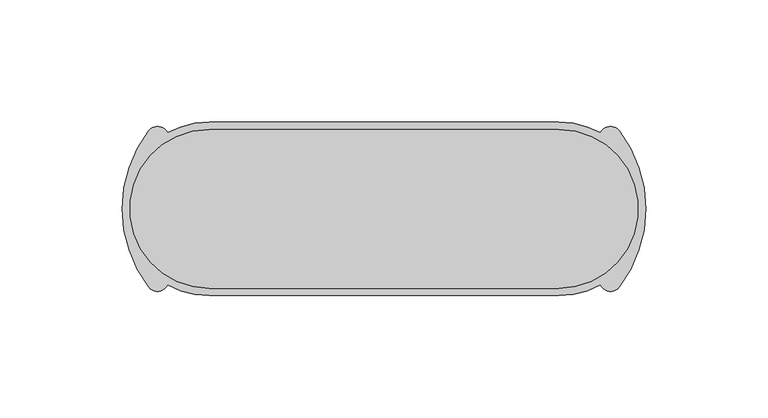
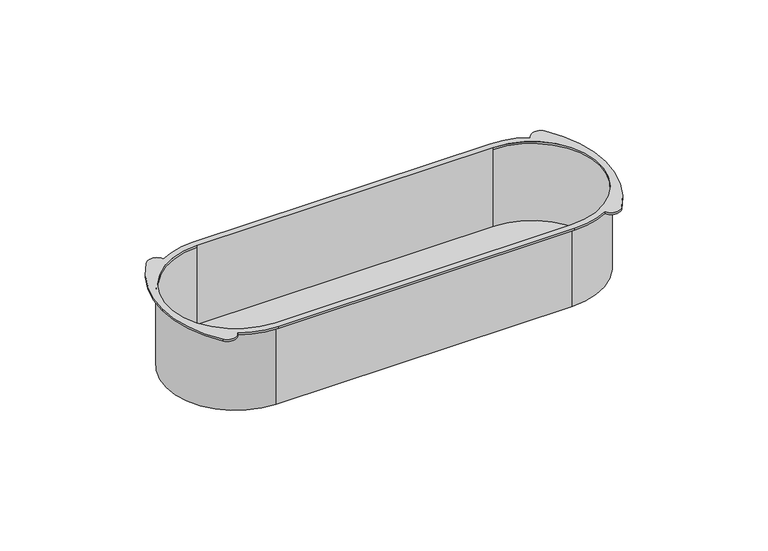
"""IFC4 building model written with IfcOpenShell, lengths in millimetres: proxy geometry."""

from ifc_helpers import new_model, si_unit, point, frame, frame_2d, origin, place, context, project, spatial, polyline, circle_curve, trimmed, segment, composite_curve, outline, extrude, source, transform, mapped, element, save
from ifc_brep_helpers import plane_surface, cylinder_surface, revolved_surface, advanced_brep


def electrical_fixtures_8e212fa5(model_context):
    return source(origin(), model_context, "Body", "SolidModel", [
        advanced_brep(
        [(71.5, -33.5, -40.0), (-71.5, -33.5, -40.0), (-71.5, 33.5, -40.0), (71.5, 33.5, -40.0), (71.5, -32.5, -40.0), (71.5, 32.5, -40.0), (-71.5, 32.5, -40.0), (-71.5, -32.5, -40.0), (71.5, -32.5, 0.0), (71.5, 32.5, 0.0), (71.5, 33.5, 0.0), (71.5, -33.5, 0.0), (71.5, 35.5, 1.0), (-71.5, 35.5, 1.0), (-88.507708, 31.1606782, 1.0), (-96.2231662, 31.9859514, 1.0), (-107.0, 0.0, 1.0), (-96.2231662, -31.9859514, 1.0), (-88.507708, -31.1606782, 1.0), (-71.5, -35.5, 1.0), (71.5, -35.5, 1.0), (88.507708, -31.1606782, 1.0), (96.2231662, -31.9859514, 1.0), (107.0, 0.0, 1.0), (96.2231662, 31.9859514, 1.0), (88.507708, 31.1606782, 1.0), (71.5, 32.5, 1.0), (71.5, -32.5, 1.0), (-71.5, -32.5, 1.0), (-71.5, 32.5, 1.0), (71.5, 35.5, 0.0), (88.507708, 31.1606782, 0.0), (96.2231662, 31.9859514, 0.0), (107.0, 0.0, 0.0), (96.2231662, -31.9859514, 0.0), (88.507708, -31.1606782, 0.0), (71.5, -35.5, 0.0), (-71.5, -35.5, 0.0), (-88.507708, -31.1606782, 0.0), (-96.2231662, -31.9859514, 0.0), (-107.0, 0.0, 0.0), (-96.2231662, 31.9859514, 0.0), (-88.507708, 31.1606782, 0.0), (-71.5, 35.5, 0.0), (-71.5, 33.5, 0.0), (-71.5, -33.5, 0.0), (-71.5, -32.5, 0.0), (-71.5, 32.5, 0.0)],
        [
            (0, 1),
            (1, 2, circle_curve(frame((-71.5, 0.0, -40.0), z_axis=(0.0, 0.0, -1.0), x_axis=(0.0, -1.0, 0.0)), 33.5)),
            (2, 3),
            (3, 0, circle_curve(frame((71.5, 0.0, -40.0), z_axis=(0.0, 0.0, -1.0), x_axis=(0.0, -1.0, 0.0)), 33.5)),
            (4, 5, circle_curve(frame((71.5, 0.0, -40.0), z_axis=(0.0, 0.0, 1.0), x_axis=(0.0, -1.0, 0.0)), 32.5)),
            (5, 6),
            (6, 7, circle_curve(frame((-71.5, 0.0, -40.0), z_axis=(0.0, 0.0, 1.0), x_axis=(0.0, -1.0, 0.0)), 32.5)),
            (7, 4),
            (4, 8),
            (8, 9, circle_curve(frame((71.5, 0.0, 0.0), z_axis=(0.0, 0.0, 1.0), x_axis=(0.0, -1.0, 0.0)), 32.5)),
            (9, 5),
            (3, 10),
            (10, 11, circle_curve(frame((71.5, 0.0, 0.0), z_axis=(0.0, 0.0, -1.0), x_axis=(0.0, -1.0, 0.0)), 33.5)),
            (11, 0),
            (12, 13),
            (13, 14, circle_curve(frame((-71.5, 0.0, 1.0), z_axis=(0.0, 0.0, 1.0), x_axis=(0.0, -1.0, 0.0)), 35.5)),
            (14, 15, circle_curve(frame((-92.614694, 29.2430182, 1.0), z_axis=(0.0, 0.0, 1.0), x_axis=(0.0, -1.0, 0.0)), 4.5326321)),
            (15, 16, circle_curve(frame((-54.143973, 0.0, 1.0), z_axis=(0.0, 0.0, 1.0), x_axis=(0.0, -1.0, 0.0)), 52.856027)),
            (16, 17, circle_curve(frame((-54.143973, 0.0, 1.0), z_axis=(0.0, 0.0, 1.0), x_axis=(0.0, 1.0, 0.0)), 52.856027)),
            (17, 18, circle_curve(frame((-92.614694, -29.2430182, 1.0), z_axis=(0.0, 0.0, 1.0), x_axis=(0.0, 1.0, 0.0)), 4.5326321)),
            (18, 19, circle_curve(frame((-71.5, 0.0, 1.0), z_axis=(0.0, 0.0, 1.0), x_axis=(0.0, -1.0, 0.0)), 35.5)),
            (19, 20),
            (20, 21, circle_curve(frame((71.5, 0.0, 1.0), z_axis=(0.0, 0.0, 1.0), x_axis=(0.0, -1.0, 0.0)), 35.5)),
            (21, 22, circle_curve(frame((92.614694, -29.2430182, 1.0), z_axis=(0.0, 0.0, 1.0), x_axis=(0.0, 1.0, 0.0)), 4.5326321)),
            (22, 23, circle_curve(frame((54.143973, 0.0, 1.0), z_axis=(0.0, 0.0, 1.0), x_axis=(0.0, 1.0, 0.0)), 52.856027)),
            (23, 24, circle_curve(frame((54.143973, 0.0, 1.0), z_axis=(0.0, 0.0, 1.0), x_axis=(0.0, -1.0, 0.0)), 52.856027)),
            (24, 25, circle_curve(frame((92.614694, 29.2430182, 1.0), z_axis=(0.0, 0.0, 1.0), x_axis=(0.0, -1.0, 0.0)), 4.5326321)),
            (25, 12, circle_curve(frame((71.5, 0.0, 1.0), z_axis=(0.0, 0.0, 1.0), x_axis=(0.0, -1.0, 0.0)), 35.5)),
            (26, 27, circle_curve(frame((71.5, 0.0, 1.0), z_axis=(0.0, 0.0, -1.0), x_axis=(0.0, -1.0, 0.0)), 32.5)),
            (27, 28),
            (28, 29, circle_curve(frame((-71.5, 0.0, 1.0), z_axis=(0.0, 0.0, -1.0), x_axis=(0.0, -1.0, 0.0)), 32.5)),
            (29, 26),
            (30, 31, circle_curve(frame((71.5, 0.0, 0.0), z_axis=(0.0, 0.0, -1.0), x_axis=(0.0, -1.0, 0.0)), 35.5)),
            (31, 32, circle_curve(frame((92.614694, 29.2430182, 0.0), z_axis=(0.0, 0.0, -1.0), x_axis=(0.0, -1.0, 0.0)), 4.5326321)),
            (32, 33, circle_curve(frame((54.143973, 0.0, 0.0), z_axis=(0.0, 0.0, -1.0), x_axis=(0.0, -1.0, 0.0)), 52.856027)),
            (33, 34, circle_curve(frame((54.143973, 0.0, 0.0), z_axis=(0.0, 0.0, -1.0), x_axis=(0.0, 1.0, 0.0)), 52.856027)),
            (34, 35, circle_curve(frame((92.614694, -29.2430182, 0.0), z_axis=(0.0, 0.0, -1.0), x_axis=(0.0, 1.0, 0.0)), 4.5326321)),
            (35, 36, circle_curve(frame((71.5, 0.0, 0.0), z_axis=(0.0, 0.0, -1.0), x_axis=(0.0, -1.0, 0.0)), 35.5)),
            (36, 37),
            (37, 38, circle_curve(frame((-71.5, 0.0, 0.0), z_axis=(0.0, 0.0, -1.0), x_axis=(0.0, -1.0, 0.0)), 35.5)),
            (38, 39, circle_curve(frame((-92.614694, -29.2430182, 0.0), z_axis=(0.0, 0.0, -1.0), x_axis=(0.0, 1.0, 0.0)), 4.5326321)),
            (39, 40, circle_curve(frame((-54.143973, 0.0, 0.0), z_axis=(0.0, 0.0, -1.0), x_axis=(0.0, 1.0, 0.0)), 52.856027)),
            (40, 41, circle_curve(frame((-54.143973, 0.0, 0.0), z_axis=(0.0, 0.0, -1.0), x_axis=(0.0, -1.0, 0.0)), 52.856027)),
            (41, 42, circle_curve(frame((-92.614694, 29.2430182, 0.0), z_axis=(0.0, 0.0, -1.0), x_axis=(0.0, -1.0, 0.0)), 4.5326321)),
            (42, 43, circle_curve(frame((-71.5, 0.0, 0.0), z_axis=(0.0, 0.0, -1.0), x_axis=(0.0, -1.0, 0.0)), 35.5)),
            (43, 30),
            (10, 44),
            (44, 45, circle_curve(frame((-71.5, 0.0, 0.0), z_axis=(0.0, 0.0, 1.0), x_axis=(0.0, -1.0, 0.0)), 33.5)),
            (45, 11),
            (20, 36),
            (35, 21),
            (25, 31),
            (30, 12),
            (34, 22),
            (33, 23),
            (32, 24),
            (43, 13),
            (42, 14),
            (41, 15),
            (40, 16),
            (39, 17),
            (38, 18),
            (37, 19),
            (26, 9),
            (8, 27),
            (28, 46),
            (46, 47, circle_curve(frame((-71.5, 0.0, 0.0), z_axis=(0.0, 0.0, -1.0), x_axis=(0.0, -1.0, 0.0)), 32.5)),
            (47, 29),
            (7, 46),
            (6, 47),
            (2, 44),
            (1, 45),
        ],
        [
            plane_surface(frame((-71.5, -32.5, -40.0), z_axis=(0.0, 0.0, -1.0), x_axis=(1.0, 0.0, 0.0))),
            revolved_surface(polyline([(71.5, -32.5, -40.0), (71.5, -32.5, 0.0)]), (71.5, 0.0, -40.0), (0.0, 0.0, -1.0)),
            cylinder_surface(frame((71.5, 0.0, 0.0), z_axis=(0.0, 0.0, 1.0), x_axis=(0.0, -1.0, 0.0)), 33.5),
            plane_surface(frame((-71.5, 35.5, 1.0), z_axis=(0.0, 0.0, 1.0), x_axis=(-1.0, 0.0, 0.0))),
            plane_surface(frame((-71.5, 35.5, 0.0), z_axis=(0.0, 0.0, -1.0), x_axis=(1.0, 0.0, 0.0))),
            cylinder_surface(frame((71.5, 0.0, 0.0), z_axis=(0.0, 0.0, 1.0), x_axis=(0.0, -1.0, 0.0)), 35.5),
            cylinder_surface(frame((92.614694, -29.2430182, 0.0), z_axis=(0.0, 0.0, 1.0), x_axis=(0.0, 1.0, 0.0)), 4.5326321),
            cylinder_surface(frame((54.143973, 0.0, 0.0), z_axis=(0.0, 0.0, 1.0), x_axis=(0.0, 1.0, 0.0)), 52.856027),
            cylinder_surface(frame((54.143973, 0.0, 0.0), z_axis=(0.0, 0.0, 1.0), x_axis=(0.0, -1.0, 0.0)), 52.856027),
            cylinder_surface(frame((92.614694, 29.2430182, 0.0), z_axis=(0.0, 0.0, 1.0), x_axis=(0.0, -1.0, 0.0)), 4.5326321),
            plane_surface(frame((71.5, 35.5, 1.0), z_axis=(0.0, 1.0, 0.0), x_axis=(0.0, 0.0, -1.0))),
            cylinder_surface(frame((-71.5, 0.0, 0.0), z_axis=(0.0, 0.0, 1.0), x_axis=(0.0, -1.0, 0.0)), 35.5),
            cylinder_surface(frame((-92.614694, 29.2430182, 0.0), z_axis=(0.0, 0.0, 1.0), x_axis=(0.0, -1.0, 0.0)), 4.5326321),
            cylinder_surface(frame((-54.143973, 0.0, 0.0), z_axis=(0.0, 0.0, 1.0), x_axis=(0.0, -1.0, 0.0)), 52.856027),
            cylinder_surface(frame((-54.143973, 0.0, 0.0), z_axis=(0.0, 0.0, 1.0), x_axis=(0.0, 1.0, 0.0)), 52.856027),
            cylinder_surface(frame((-92.614694, -29.2430182, 0.0), z_axis=(0.0, 0.0, 1.0), x_axis=(0.0, 1.0, 0.0)), 4.5326321),
            plane_surface(frame((-71.5, -35.5, 1.0), z_axis=(0.0, -1.0, 0.0), x_axis=(0.0, 0.0, -1.0))),
            revolved_surface(polyline([(71.5, -32.5, 0.0), (71.5, -32.5, 1.0)]), (71.5, 0.0, 0.0), (0.0, 0.0, -1.0)),
            revolved_surface(polyline([(-71.5, -32.5, 0.0), (-71.5, -32.5, 1.0)]), (-71.5, 0.0, 0.0), (0.0, 0.0, -1.0)),
            plane_surface(frame((71.5, -32.5, 0.0), z_axis=(0.0, 1.0, 0.0), x_axis=(0.0, 0.0, -1.0))),
            revolved_surface(polyline([(-71.5, -32.5, -40.0), (-71.5, -32.5, 0.0)]), (-71.5, 0.0, -40.0), (0.0, 0.0, -1.0)),
            plane_surface(frame((-71.5, 32.5, 0.0), z_axis=(0.0, -1.0, 0.0), x_axis=(0.0, 0.0, -1.0))),
            plane_surface(frame((71.5, 33.5, 0.0), z_axis=(0.0, 1.0, 0.0), x_axis=(0.0, 0.0, -1.0))),
            cylinder_surface(frame((-71.5, 0.0, 0.0), z_axis=(0.0, 0.0, 1.0), x_axis=(0.0, -1.0, 0.0)), 33.5),
            plane_surface(frame((-71.5, -33.5, 0.0), z_axis=(0.0, -1.0, 0.0), x_axis=(0.0, 0.0, -1.0))),
        ],
        [
            (0, [[1, 2, 3, 4], [5, 6, 7, 8]]),
            (1, [[-5, 9, 10, 11]]),
            (2, [[-4, 12, 13, 14]]),
            (3, [[15, 16, 17, 18, 19, 20, 21, 22, 23, 24, 25, 26, 27, 28], [29, 30, 31, 32]]),
            (4, [[33, 34, 35, 36, 37, 38, 39, 40, 41, 42, 43, 44, 45, 46], [-13, 47, 48, 49]]),
            (5, [[-23, 50, -38, 51]]),
            (5, [[-28, 52, -33, 53]]),
            (6, [[-24, -51, -37, 54]]),
            (7, [[-25, -54, -36, 55]]),
            (8, [[-26, -55, -35, 56]]),
            (9, [[-27, -56, -34, -52]]),
            (10, [[-15, -53, -46, 57]]),
            (11, [[-16, -57, -45, 58]]),
            (12, [[-17, -58, -44, 59]]),
            (13, [[-18, -59, -43, 60]]),
            (14, [[-19, -60, -42, 61]]),
            (15, [[-20, -61, -41, 62]]),
            (11, [[-21, -62, -40, 63]]),
            (16, [[-22, -63, -39, -50]]),
            (17, [[-29, 64, -10, 65]]),
            (18, [[-31, 66, 67, 68]]),
            (19, [[-8, 69, -66, -30, -65, -9]]),
            (20, [[-7, 70, -67, -69]]),
            (21, [[-6, -11, -64, -32, -68, -70]]),
            (22, [[-3, 71, -47, -12]]),
            (23, [[-2, 72, -48, -71]]),
            (24, [[-1, -14, -49, -72]]),
        ],
    ),
        extrude(outline(composite_curve([segment(polyline([(-71.5, 32.5), (71.5, 32.5)]), True, "CONTINUOUS"), segment(trimmed(circle_curve(frame_2d((71.5, 0.0)), 32.5), [point((71.5, 32.5))], [point((71.5, -32.5))], False, "CARTESIAN"), True, "CONTINUOUS"), segment(polyline([(71.5, -32.5), (-71.5, -32.5)]), True, "CONTINUOUS"), segment(trimmed(circle_curve(frame_2d((-71.5, 0.0)), 32.5), [point((-71.5, -32.5))], [point((-71.5, 32.5))], False, "CARTESIAN"), True, "CONTINUOUS")], self_intersect=False)), frame((0.0, 0.0, -40.0), z_axis=(0.0, 0.0, 1.0), x_axis=(1.0, 0.0, 0.0)), (0.0, 0.0, 1.0), 1.0),
    ])


if __name__ == "__main__":
    model = new_model("IFC4")
    model_context = context("Model", 3, world=origin())
    ifc_project = project(units=[si_unit("LENGTHUNIT", "METRE", prefix="MILLI")], contexts=[model_context])
    site = spatial("IfcSite", under=ifc_project)
    building = spatial("IfcBuilding", under=site)
    placement = place(None, origin())
    electrical_fixtures_shape = electrical_fixtures_8e212fa5(model_context)
    element("IfcBuildingElementProxy", 1, Name="Electrical Fixtures", at=placement, inside=building, context=model_context, shape_type="MappedRepresentation", body=[
        mapped(electrical_fixtures_shape, transform((0.0, 0.0, 0.0), x_axis=(1.0, 0.0, 0.0), y_axis=(0.0, 1.0, 0.0), z_axis=(0.0, 0.0, 1.0))),
    ])
    save(model, "model.ifc")
